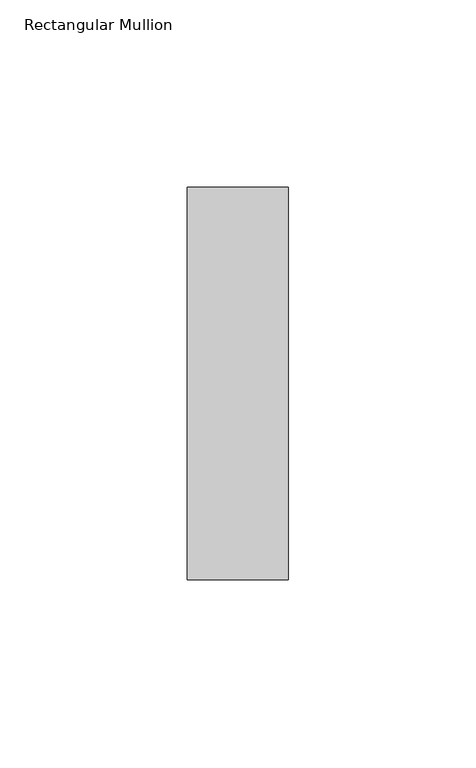
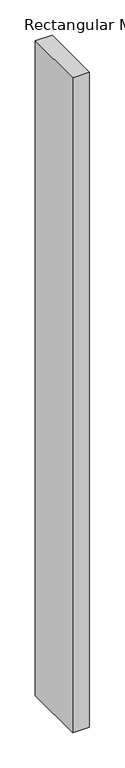
"""IFC4 building model written with IfcOpenShell, lengths in millimetres: member geometry, Rectangular Mullion."""

from ifc_helpers import new_model, si_unit, frame, origin, place, context, project, spatial, polyline, outline, extrude, source, transform, mapped, element, save


def rectangular_mullion_4d31d2d8(model_context):
    return source(origin(), model_context, "Body", "SweptSolid", [
        extrude(outline(polyline([(-27.0, 52.3975), (0.0, 52.3975), (0.0, -52.3975), (-27.0, -52.3975), (-27.0, 52.3975)])), frame((0.0, 0.0, -1126.0), z_axis=(0.0, 0.0, 1.0), x_axis=(1.0, 0.0, 0.0)), (0.0, 0.0, 1.0), 1126.0),
    ])


if __name__ == "__main__":
    model = new_model("IFC4")
    model_context = context("Model", 3, world=origin())
    ifc_project = project(units=[si_unit("LENGTHUNIT", "METRE", prefix="MILLI")], contexts=[model_context])
    site = spatial("IfcSite", under=ifc_project)
    building = spatial("IfcBuilding", under=site)
    placement = place(None, origin())
    rectangular_mullion_shape = rectangular_mullion_4d31d2d8(model_context)
    element("IfcMember", 1, ObjectType="Rectangular Mullion", at=placement, inside=building, context=model_context, shape_type="MappedRepresentation", body=[
        mapped(rectangular_mullion_shape, transform((0.0, 0.0, 0.0), x_axis=(1.0, 0.0, 0.0), y_axis=(0.0, 1.0, 0.0), z_axis=(0.0, 0.0, 1.0))),
    ])
    save(model, "model.ifc")
